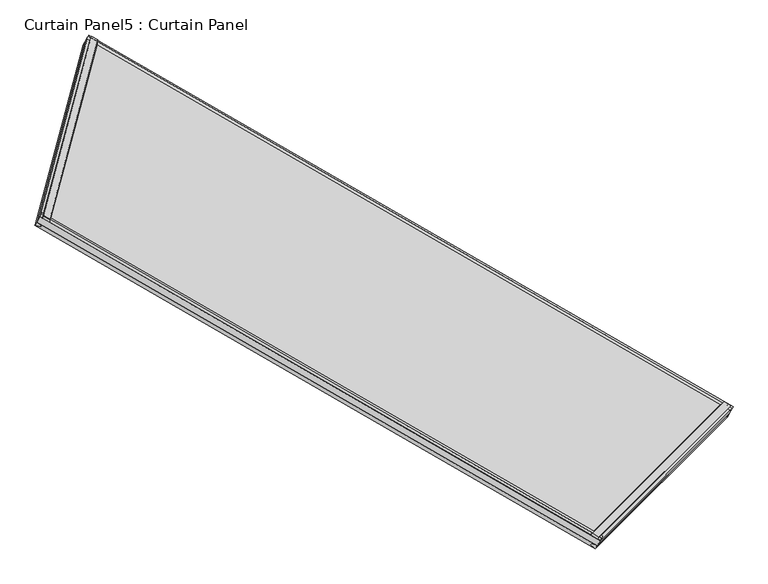
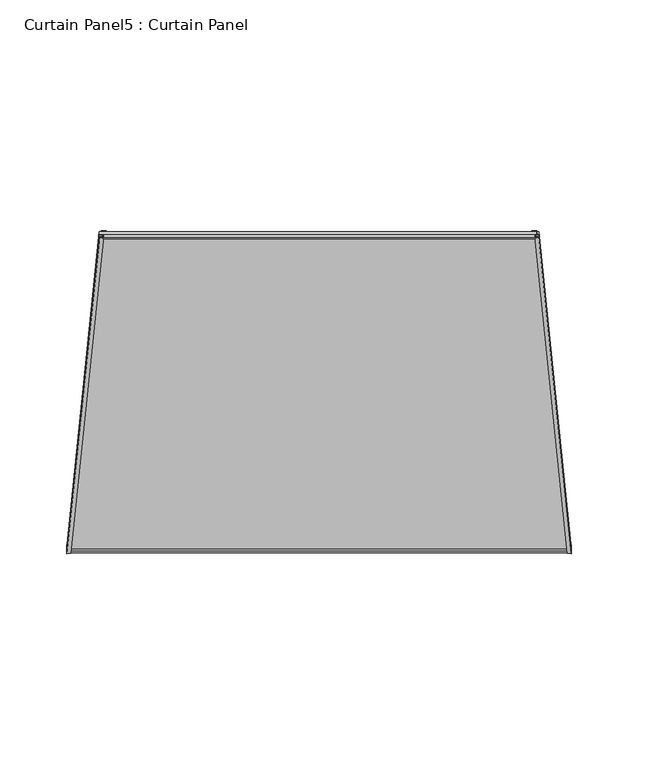
"""IFC4 building model written with IfcOpenShell, lengths in millimetres: plate geometry, Curtain Panel5 : Curtain Panel."""

from ifc_helpers import new_model, si_unit, frame, origin, place, context, project, spatial, polyline, outline, extrude, source, transform, mapped, element, save


def curtain_panel5_curtain_panel_7ec5e1ac(model_context):
    return source(origin(), model_context, "Body", "SweptSolid", [
        extrude(outline(polyline([(22.279479, -5.8689468), (22.2882717, -20.9890896), (17.5121093, -24.070989), (17.5015261, -5.8717253), (22.279479, -5.8689468)])), frame((-11409.5327631, -10780.0066319, 980.3279056), z_axis=(-0.06698729810778148, -0.24999999999999933, 0.9659258262890684), x_axis=(0.48405017294319297, 0.8383994929500994, 0.250562807085731)), (0.0, 0.0, 1.0), 1495.7600109),
        extrude(outline(polyline([(-1.6371094, 0.0), (4.7128906, 0.0), (4.7128906, -11.4749739), (-0.0826892, -12.7161612), (-3.2648369, -0.4212868), (-1.6371094, 0.0)])), frame((-11409.5327631, -10780.0066319, 980.3279056), z_axis=(-0.06698729810778148, -0.24999999999999933, 0.9659258262890684), x_axis=(0.48405017294319297, 0.8383994929500994, 0.250562807085731)), (0.0, 0.0, 1.0), 1495.7600109),
        extrude(outline(polyline([(22.2794791, 5.8689468), (17.5015261, 5.8717253), (17.5121094, 24.0709891), (22.2882717, 20.9890896), (22.2794791, 5.8689468)])), frame((-10071.7488443, -11552.3765376, 980.3279056), z_axis=(-0.18301270189220314, -0.18301270189222787, 0.9659258262890698), x_axis=(0.4840501729431929, 0.8383994929500994, 0.250562807085731)), (0.0, 0.0, 1.0), 1495.7600108),
        extrude(outline(polyline([(-1.6371094, 0.0), (-3.2648368, 0.4212869), (-0.0826892, 12.7161612), (4.7128906, 11.4749739), (4.7128906, 0.0), (-1.6371094, 0.0)])), frame((-10071.7488443, -11552.3765376, 980.3279056), z_axis=(-0.18301270189220314, -0.18301270189222787, 0.9659258262890698), x_axis=(0.4840501729431929, 0.8383994929500994, 0.250562807085731)), (0.0, 0.0, 1.0), 1495.7600108),
        extrude(outline(polyline([(4.7128907, 0.0), (4.7128907, -11.5612583), (-0.0992187, -10.3383034), (-0.0992187, 0.0), (4.7128907, 0.0)])), frame((-10071.7849633, -11552.3989439, 980.472655), z_axis=(-0.8660254037844358, 0.5000000000000053, 0.0), x_axis=(0.48405017294319297, 0.8383994929500994, 0.250562807085731)), (0.0, 0.0, 1.0), 1544.6996588),
        extrude(outline(polyline([(17.5121094, -16.9465983), (17.5121095, 0.0), (22.3807369, 1e-07), (22.3807368, -12.4442107), (17.5121094, -16.9465983)])), frame((-10071.7849633, -11552.3989439, 980.472655), z_axis=(-0.8660254037844358, 0.5000000000000053, 0.0), x_axis=(0.48405017294319297, 0.8383994929500994, 0.250562807085731)), (0.0, 0.0, 1.0), 1544.6996588),
        extrude(outline(polyline([(4.7128906, -0.0674026), (-3.0168206, 1.9537691), (-0.2325093, 12.7224921), (4.7128906, 13.8024743), (4.7128906, -0.0674026)])), frame((-10345.5280592, -11826.1420162, 2425.2658794), z_axis=(-0.8660254037844354, 0.5000000000000058, 0.0), x_axis=(0.48405017294319297, 0.8383994929500994, 0.250562807085731)), (0.0, 0.0, 1.0), 1344.3057807),
        extrude(outline(polyline([(22.1655958, 22.0182975), (22.3119778, 5.3559264), (17.5121094, 4.0904284), (17.5121094, 24.2898479), (22.1655958, 22.0182975)])), frame((-10345.5280592, -11826.1420162, 2425.2658794), z_axis=(-0.8660254037844354, 0.5000000000000058, 0.0), x_axis=(0.48405017294319297, 0.8383994929500994, 0.250562807085731)), (0.0, 0.0, 1.0), 1344.3057807),
        extrude(outline(polyline([(-69.2031684, -1e-07), (-172.6797697, -1541.2500287), (-1655.0159384, -1341.3063043), (-1564.9631792, 0.0), (-69.2031684, -1e-07)])), frame((-11402.6257928, -10758.7920186, 914.8084025), z_axis=(0.4840501729431931, 0.8383994929500995, 0.25056280708573103), x_axis=(0.06698729810778264, 0.24999999999999872, -0.9659258262890686)), (0.0, 0.0, 1.0), 12.7992187),
    ])


if __name__ == "__main__":
    model = new_model("IFC4")
    model_context = context("Model", 3, world=origin())
    ifc_project = project(units=[si_unit("LENGTHUNIT", "METRE", prefix="MILLI")], contexts=[model_context])
    site = spatial("IfcSite", under=ifc_project)
    building = spatial("IfcBuilding", under=site)
    placement = place(None, origin())
    curtain_panel5_curtain_panel_shape = curtain_panel5_curtain_panel_7ec5e1ac(model_context)
    element("IfcPlate", 1, ObjectType="Curtain Panel5 : Curtain Panel", at=placement, inside=building, context=model_context, shape_type="MappedRepresentation", body=[
        mapped(curtain_panel5_curtain_panel_shape, transform((0.0, 0.0, 0.0), x_axis=(1.0, 0.0, 0.0), y_axis=(0.0, 1.0, 0.0), z_axis=(0.0, 0.0, 1.0))),
    ])
    save(model, "model.ifc")
